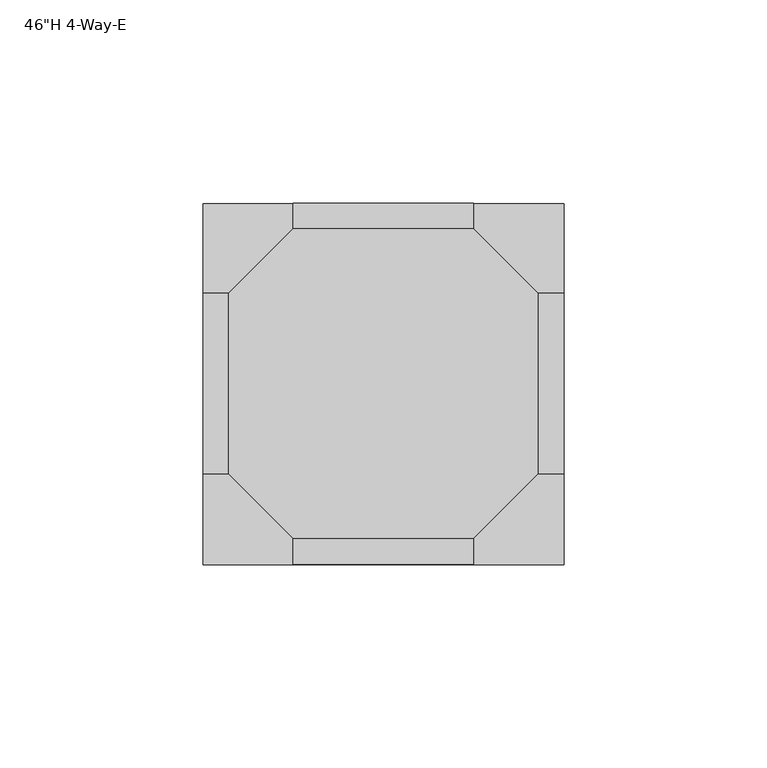
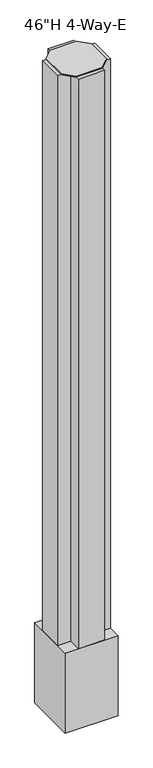
"""IFC4 building model written with IfcOpenShell, lengths in millimetres: furniture geometry."""

from ifc_helpers import new_model, si_unit, frame, origin, place, context, project, spatial, polyline, outline, extrude, source, transform, mapped, element, save


def furniture_6f501f2a(model_context):
    return source(origin(), model_context, "Body", "SweptSolid", [
        extrude(outline(polyline([(47.6249898, 46.2652343), (63.5000019, 30.390207), (63.5000019, -14.0597869), (47.6249898, -29.9348142), (3.1749958, -29.9348142), (-12.6999981, -14.0598051), (-12.6999981, 30.390207), (3.175014, 46.2652343), (47.6249898, 46.2652343)])), frame((0.0, 0.0, 1166.799807), z_axis=(0.0, 0.0, 1.0), x_axis=(1.0, 0.0, 0.0)), (0.0, 0.0, 1.0), 1.600193),
        extrude(outline(polyline([(6.3500019, 30.390207), (6.3500019, -14.0597869), (-19.0500102, -14.0597869), (-19.0500102, 30.390207), (6.3500019, 30.390207)])), frame((0.0, 0.0, 152.0656681), z_axis=(0.0, 0.0, 1.0), x_axis=(1.0, 0.0, 0.0)), (0.0, 0.0, 1.0), 1014.7341389),
        extrude(outline(polyline([(69.850014, 30.390207), (69.850014, -14.0597869), (44.4500019, -14.0597869), (44.4500019, 30.390207), (69.850014, 30.390207)])), frame((0.0, 0.0, 152.0656681), z_axis=(0.0, 0.0, 1.0), x_axis=(1.0, 0.0, 0.0)), (0.0, 0.0, 1.0), 1014.7341389),
        extrude(outline(polyline([(47.6250079, 52.6152101), (47.6250079, 30.390207), (3.1749958, 30.390207), (3.1749958, 52.6152101), (47.6250079, 52.6152101)])), frame((0.0, 0.0, 152.0656681), z_axis=(0.0, 0.0, 1.0), x_axis=(1.0, 0.0, 0.0)), (0.0, 0.0, 1.0), 1014.7341389),
        extrude(outline(polyline([(47.6250079, -14.0597869), (47.6250079, -36.2847899), (3.1749958, -36.2847899), (3.1749958, -14.0597869), (47.6250079, -14.0597869)])), frame((0.0, 0.0, 152.0656681), z_axis=(0.0, 0.0, 1.0), x_axis=(1.0, 0.0, 0.0)), (0.0, 0.0, 1.0), 1014.7341389),
        extrude(outline(polyline([(69.850014, 52.6152101), (69.850014, -36.2847899), (-19.0500102, -36.2847899), (-19.0500102, 52.6152101), (69.850014, 52.6152101)])), frame((0.0, 0.0, 9.525), z_axis=(0.0, 0.0, 1.0), x_axis=(1.0, 0.0, 0.0)), (0.0, 0.0, 1.0), 142.5406681),
    ])


if __name__ == "__main__":
    model = new_model("IFC4")
    model_context = context("Model", 3, world=origin())
    ifc_project = project(units=[si_unit("LENGTHUNIT", "METRE", prefix="MILLI")], contexts=[model_context])
    site = spatial("IfcSite", under=ifc_project)
    building = spatial("IfcBuilding", under=site)
    placement = place(None, origin())
    furniture_shape = furniture_6f501f2a(model_context)
    element("IfcFurniture", 1, ObjectType="46\"H 4-Way-E", at=placement, inside=building, context=model_context, shape_type="MappedRepresentation", body=[
        mapped(furniture_shape, transform((0.0, 0.0, 0.0), x_axis=(1.0, 0.0, 0.0), y_axis=(0.0, 1.0, 0.0), z_axis=(0.0, 0.0, 1.0))),
    ])
    save(model, "model.ifc")
